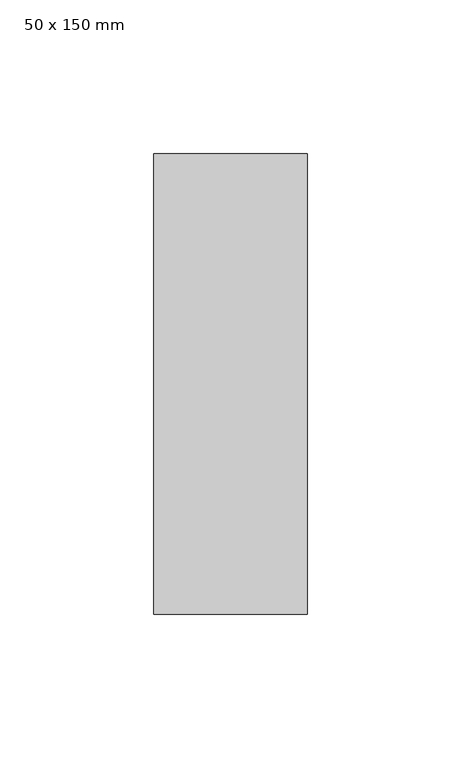
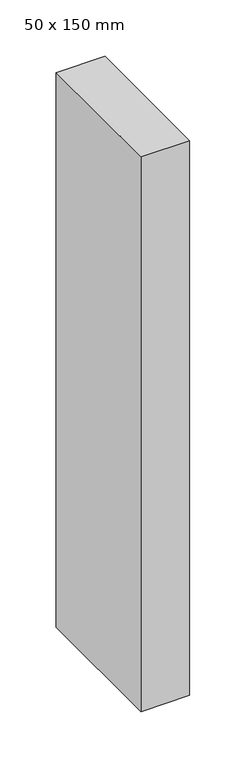
"""IFC4 building model written with IfcOpenShell, lengths in millimetres: member geometry, 50 x 150 mm."""

from ifc_helpers import new_model, si_unit, frame, origin, place, context, project, spatial, polyline, outline, extrude, source, transform, mapped, element, save


def member_50_x_150_mm_64d38db8(model_context):
    return source(origin(), model_context, "Body", "SweptSolid", [
        extrude(outline(polyline([(0.0, 75.0), (0.0, -75.0), (-50.0, -75.0), (-50.0, 75.0), (0.0, 75.0)])), frame((0.0, 0.0, -600.0), z_axis=(0.0, 0.0, 1.0), x_axis=(1.0, 0.0, 0.0)), (0.0, 0.0, 1.0), 600.0),
    ])


if __name__ == "__main__":
    model = new_model("IFC4")
    model_context = context("Model", 3, world=origin())
    ifc_project = project(units=[si_unit("LENGTHUNIT", "METRE", prefix="MILLI")], contexts=[model_context])
    site = spatial("IfcSite", under=ifc_project)
    building = spatial("IfcBuilding", under=site)
    placement = place(None, origin())
    member_50_x_150_mm_shape = member_50_x_150_mm_64d38db8(model_context)
    element("IfcMember", 1, ObjectType="50 x 150 mm", at=placement, inside=building, context=model_context, shape_type="MappedRepresentation", body=[
        mapped(member_50_x_150_mm_shape, transform((0.0, 0.0, 0.0), x_axis=(1.0, 0.0, 0.0), y_axis=(0.0, 1.0, 0.0), z_axis=(0.0, 0.0, 1.0))),
    ])
    save(model, "model.ifc")
